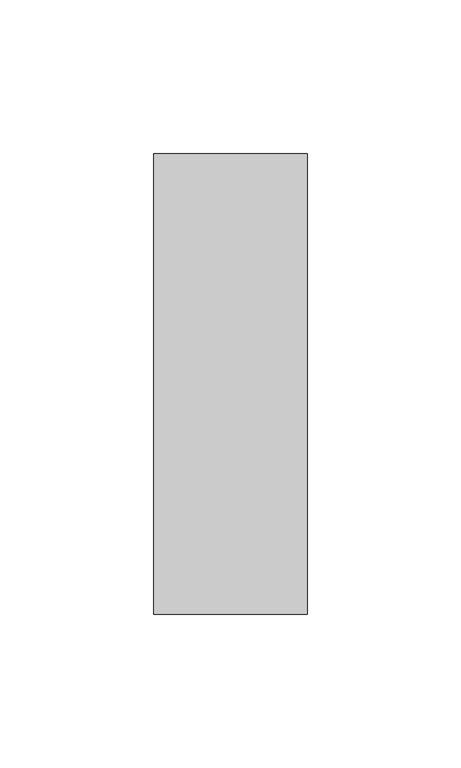
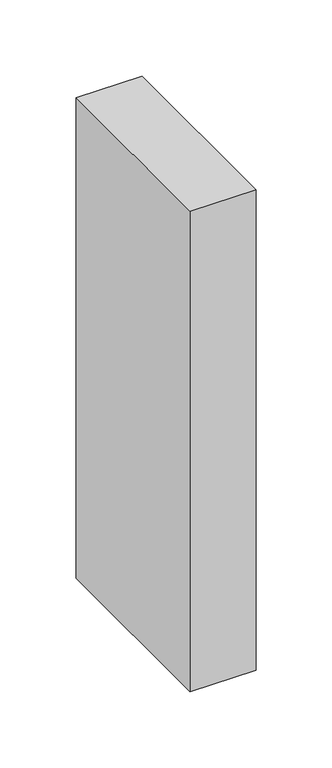
"""IFC4 building model written with IfcOpenShell, lengths in millimetres: member geometry."""

from ifc_helpers import new_model, si_unit, frame, origin, place, context, project, spatial, polyline, outline, extrude, source, transform, mapped, element, save


def member_a620d0bf(model_context):
    return source(origin(), model_context, "Body", "SweptSolid", [
        extrude(outline(polyline([(25.0, 75.0), (25.0, -75.0), (-25.0, -75.0), (-25.0, 75.0), (25.0, 75.0)])), frame((0.0, 0.0, -385.4505288), z_axis=(0.0, 0.0, 1.0), x_axis=(1.0, 0.0, 0.0)), (0.0, 0.0, 1.0), 385.4505288),
    ])


if __name__ == "__main__":
    model = new_model("IFC4")
    model_context = context("Model", 3, world=origin())
    ifc_project = project(units=[si_unit("LENGTHUNIT", "METRE", prefix="MILLI")], contexts=[model_context])
    site = spatial("IfcSite", under=ifc_project)
    building = spatial("IfcBuilding", under=site)
    placement = place(None, origin())
    member_shape = member_a620d0bf(model_context)
    element("IfcMember", 1, at=placement, inside=building, context=model_context, shape_type="MappedRepresentation", body=[
        mapped(member_shape, transform((0.0, 0.0, 0.0), x_axis=(1.0, 0.0, 0.0), y_axis=(0.0, 1.0, 0.0), z_axis=(0.0, 0.0, 1.0))),
    ])
    save(model, "model.ifc")
